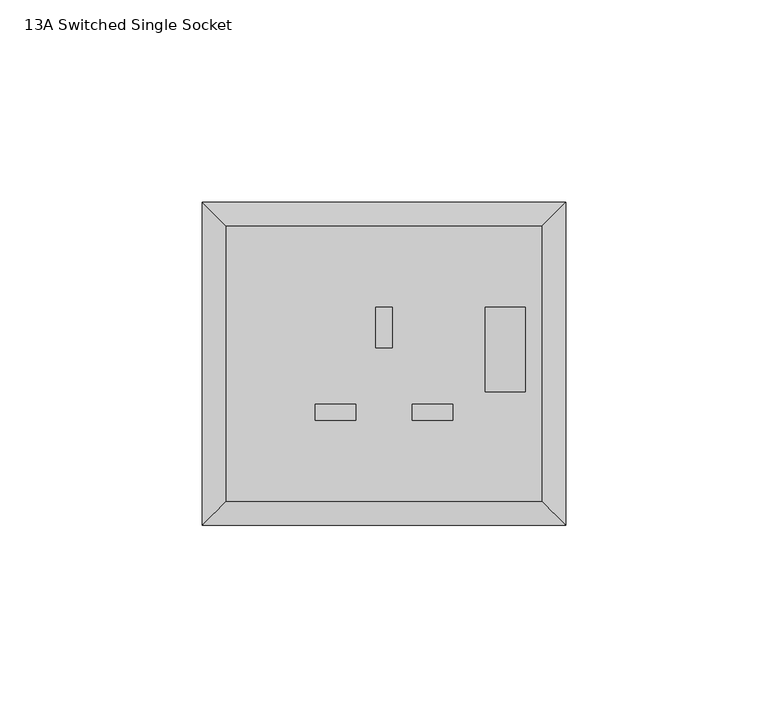
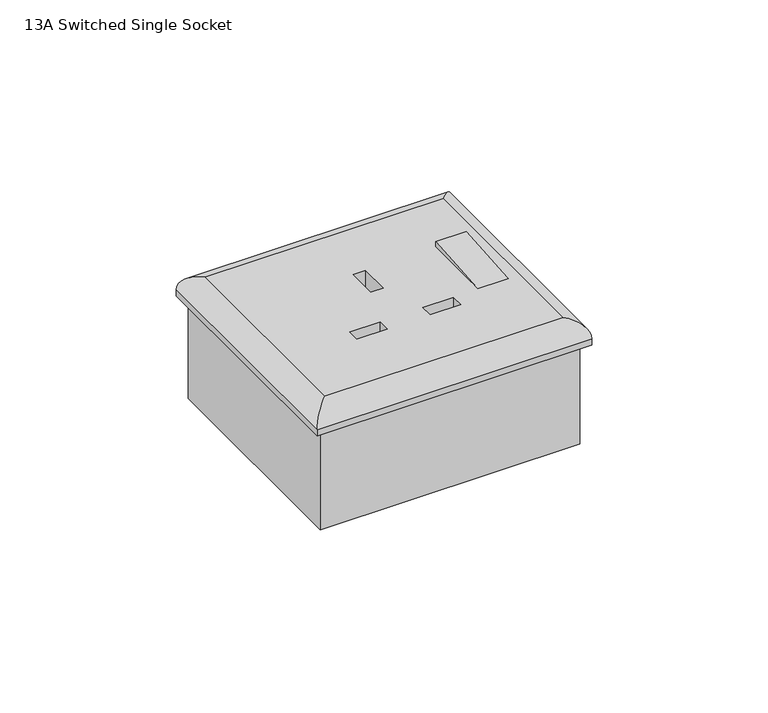
"""IFC4 building model written with IfcOpenShell, lengths in millimetres: proxy geometry, 13A Switched Single Socket."""

from ifc_helpers import new_model, si_unit, frame, origin, place, context, project, spatial, polyline, ellipse_curve, outline, extrude, source, transform, mapped, element, save
from ifc_brep_helpers import plane_surface, cylinder_surface, advanced_brep


def proxy_13a_switched_single_socket_bb0b24fb(model_context):
    return source(origin(), model_context, "Body", "SolidModel", [
        advanced_brep(
        [(-39.0, 6.0, 8.0), (39.0, 6.0, 8.0), (39.0, 74.0, 8.0), (-39.0, 74.0, 8.0), (-2.0, 54.0, 8.0), (2.0, 54.0, 8.0), (2.0, 44.0, 8.0), (-2.0, 44.0, 8.0), (7.0, 30.0, 8.0), (17.0, 30.0, 8.0), (17.0, 26.0, 8.0), (7.0, 26.0, 8.0), (-7.0, 30.0, 8.0), (-7.0, 26.0, 8.0), (-17.0, 26.0, 8.0), (-17.0, 30.0, 8.0), (45.0, 0.0, 0.0), (-45.0, 0.0, 0.0), (-45.0, 80.0, 0.0), (45.0, 80.0, 0.0), (-2.0, 54.0, 0.0), (-2.0, 44.0, 0.0), (2.0, 44.0, 0.0), (2.0, 54.0, 0.0), (7.0, 30.0, 0.0), (7.0, 26.0, 0.0), (17.0, 26.0, 0.0), (17.0, 30.0, 0.0), (-7.0, 30.0, 0.0), (-17.0, 30.0, 0.0), (-17.0, 26.0, 0.0), (-7.0, 26.0, 0.0), (45.0, 80.0, 2.0), (45.0, 0.0, 2.0), (-45.0, 80.0, 2.0), (-45.0, 0.0, 2.0)],
        [
            (0, 1),
            (1, 2),
            (2, 3),
            (3, 0),
            (4, 5),
            (5, 6),
            (6, 7),
            (7, 4),
            (8, 9),
            (9, 10),
            (10, 11),
            (11, 8),
            (12, 13),
            (13, 14),
            (14, 15),
            (15, 12),
            (16, 17),
            (17, 18),
            (18, 19),
            (19, 16),
            (20, 21),
            (21, 22),
            (22, 23),
            (23, 20),
            (24, 25),
            (25, 26),
            (26, 27),
            (27, 24),
            (28, 29),
            (29, 30),
            (30, 31),
            (31, 28),
            (19, 32),
            (32, 33),
            (33, 16),
            (18, 34),
            (34, 32),
            (17, 35),
            (35, 34),
            (33, 35),
            (4, 20),
            (23, 5),
            (22, 6),
            (21, 7),
            (8, 24),
            (27, 9),
            (26, 10),
            (25, 11),
            (12, 28),
            (31, 13),
            (30, 14),
            (29, 15),
            (33, 1, ellipse_curve(frame((39.0, 6.0, 2.0), z_axis=(-0.7071067811865475, -0.7071067811865475, 0.0), x_axis=(0.7071067811865476, -0.7071067811865474, 0.0)), 8.4852814, 6.0)),
            (0, 35, ellipse_curve(frame((-39.0, 6.0, 2.0), z_axis=(0.7071067811865475, -0.7071067811865475, 0.0), x_axis=(0.7071067811865476, 0.7071067811865474, 0.0)), 8.4852814, 6.0)),
            (32, 2, ellipse_curve(frame((39.0, 74.0, 2.0), z_axis=(0.7071067811865475, -0.7071067811865475, 0.0), x_axis=(0.7071067811865474, 0.7071067811865476, 0.0)), 8.4852814, 6.0)),
            (34, 3, ellipse_curve(frame((-39.0, 74.0, 2.0), z_axis=(0.7071067811865475, 0.7071067811865475, 0.0), x_axis=(-0.7071067811865476, 0.7071067811865474, 0.0)), 8.4852814, 6.0)),
        ],
        [
            plane_surface(frame((45.0, 0.0, 8.0), z_axis=(0.0, 0.0, 1.0), x_axis=(0.0, 1.0, 0.0))),
            plane_surface(frame((45.0, 0.0, 0.0), z_axis=(0.0, 0.0, -1.0), x_axis=(0.0, -1.0, 0.0))),
            plane_surface(frame((45.0, 0.0, 8.0), z_axis=(1.0, 0.0, 0.0), x_axis=(0.0, 0.0, -1.0))),
            plane_surface(frame((45.0, 80.0, 8.0), z_axis=(0.0, 1.0, 0.0), x_axis=(0.0, 0.0, -1.0))),
            plane_surface(frame((-45.0, 80.0, 8.0), z_axis=(-1.0, 0.0, 0.0), x_axis=(0.0, 0.0, -1.0))),
            plane_surface(frame((-45.0, 0.0, 8.0), z_axis=(0.0, -1.0, 0.0), x_axis=(0.0, 0.0, -1.0))),
            plane_surface(frame((-2.0, 54.0, 8.0), z_axis=(0.0, -1.0, 0.0), x_axis=(0.0, 0.0, -1.0))),
            plane_surface(frame((2.0, 54.0, 8.0), z_axis=(-1.0, 0.0, 0.0), x_axis=(0.0, 0.0, -1.0))),
            plane_surface(frame((2.0, 44.0, 8.0), z_axis=(0.0, 1.0, 0.0), x_axis=(0.0, 0.0, -1.0))),
            plane_surface(frame((-2.0, 44.0, 8.0), z_axis=(1.0, 0.0, 0.0), x_axis=(0.0, 0.0, -1.0))),
            plane_surface(frame((7.0, 30.0, 8.0), z_axis=(0.0, -1.0, 0.0), x_axis=(0.0, 0.0, -1.0))),
            plane_surface(frame((17.0, 30.0, 8.0), z_axis=(-1.0, 0.0, 0.0), x_axis=(0.0, 0.0, -1.0))),
            plane_surface(frame((17.0, 26.0, 8.0), z_axis=(0.0, 1.0, 0.0), x_axis=(0.0, 0.0, -1.0))),
            plane_surface(frame((7.0, 26.0, 8.0), z_axis=(1.0, 0.0, 0.0), x_axis=(0.0, 0.0, -1.0))),
            plane_surface(frame((-7.0, 30.0, 8.0), z_axis=(-1.0, 0.0, 0.0), x_axis=(0.0, 0.0, -1.0))),
            plane_surface(frame((-7.0, 26.0, 8.0), z_axis=(0.0, 1.0, 0.0), x_axis=(0.0, 0.0, -1.0))),
            plane_surface(frame((-17.0, 26.0, 8.0), z_axis=(1.0, 0.0, 0.0), x_axis=(0.0, 0.0, -1.0))),
            plane_surface(frame((-17.0, 30.0, 8.0), z_axis=(0.0, -1.0, 0.0), x_axis=(0.0, 0.0, -1.0))),
            cylinder_surface(frame((-45.0, 6.0, 2.0), z_axis=(1.0, 0.0, 0.0), x_axis=(0.0, 1.0, 0.0)), 6.0),
            cylinder_surface(frame((39.0, 0.0, 2.0), z_axis=(0.0, 1.0, 0.0), x_axis=(-1.0, 0.0, 0.0)), 6.0),
            cylinder_surface(frame((45.0, 74.0, 2.0), z_axis=(-1.0, 0.0, 0.0), x_axis=(0.0, -1.0, 0.0)), 6.0),
            cylinder_surface(frame((-39.0, 80.0, 2.0), z_axis=(0.0, -1.0, 0.0), x_axis=(1.0, 0.0, 0.0)), 6.0),
        ],
        [
            (0, [[1, 2, 3, 4], [5, 6, 7, 8], [9, 10, 11, 12], [13, 14, 15, 16]]),
            (1, [[17, 18, 19, 20], [21, 22, 23, 24], [25, 26, 27, 28], [29, 30, 31, 32]]),
            (2, [[-20, 33, 34, 35]]),
            (3, [[-19, 36, 37, -33]]),
            (4, [[-18, 38, 39, -36]]),
            (5, [[-17, -35, 40, -38]]),
            (6, [[-5, 41, -24, 42]]),
            (7, [[-6, -42, -23, 43]]),
            (8, [[-7, -43, -22, 44]]),
            (9, [[-8, -44, -21, -41]]),
            (10, [[-9, 45, -28, 46]]),
            (11, [[-10, -46, -27, 47]]),
            (12, [[-11, -47, -26, 48]]),
            (13, [[-12, -48, -25, -45]]),
            (14, [[-13, 49, -32, 50]]),
            (15, [[-14, -50, -31, 51]]),
            (16, [[-15, -51, -30, 52]]),
            (17, [[-16, -52, -29, -49]]),
            (18, [[53, -1, 54, -40]]),
            (19, [[-53, -34, 55, -2]]),
            (20, [[-55, -37, 56, -3]]),
            (21, [[-54, -4, -56, -39]]),
        ],
    ),
        extrude(outline(polyline([(54.0, 10.0), (54.0, 8.0), (26.0, 8.0), (54.0, 10.0)])), frame((25.0, 0.0, 0.0), z_axis=(1.0, 0.0, 0.0), x_axis=(0.0, 1.0, 0.0)), (0.0, 0.0, 1.0), 10.0),
        extrude(outline(polyline([(42.5, 2.5), (-42.5, 2.5), (-42.5, 77.5), (42.5, 77.5), (42.5, 2.5)])), frame((0.0, 0.0, -35.0), z_axis=(0.0, 0.0, 1.0), x_axis=(1.0, 0.0, 0.0)), (0.0, 0.0, 1.0), 35.0),
    ])


if __name__ == "__main__":
    model = new_model("IFC4")
    model_context = context("Model", 3, world=origin())
    ifc_project = project(units=[si_unit("LENGTHUNIT", "METRE", prefix="MILLI")], contexts=[model_context])
    site = spatial("IfcSite", under=ifc_project)
    building = spatial("IfcBuilding", under=site)
    placement = place(None, origin())
    proxy_13a_switched_single_socket_shape = proxy_13a_switched_single_socket_bb0b24fb(model_context)
    element("IfcBuildingElementProxy", 1, Name="13A Switched Single Socket", ObjectType="13A Switched Single Socket", at=placement, inside=building, context=model_context, shape_type="MappedRepresentation", body=[
        mapped(proxy_13a_switched_single_socket_shape, transform((0.0, 0.0, 0.0), x_axis=(1.0, 0.0, 0.0), y_axis=(0.0, 1.0, 0.0), z_axis=(0.0, 0.0, 1.0))),
    ])
    save(model, "model.ifc")
